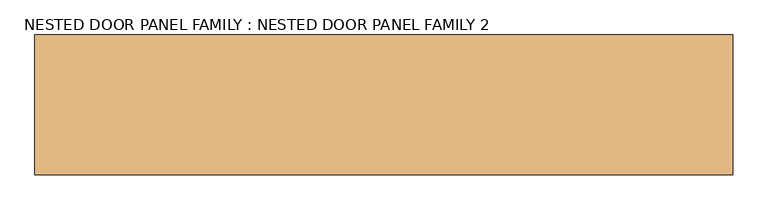
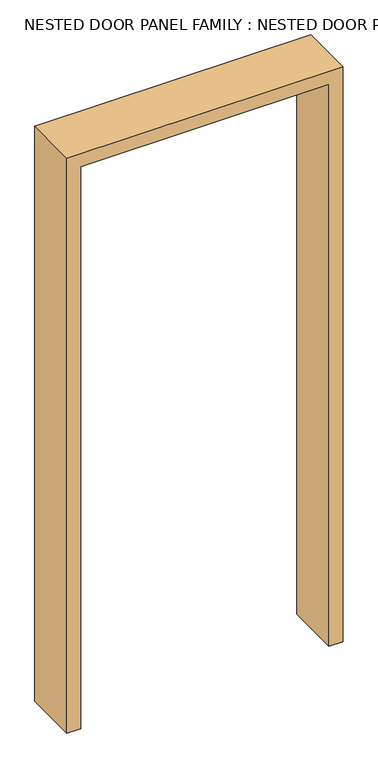
"""IFC4 building model written with IfcOpenShell, lengths in millimetres: door geometry, NESTED DOOR PANEL FAMILY : NESTED DOOR PANEL FAMILY 2."""

from ifc_helpers import new_model, si_unit, frame, origin, place, context, project, spatial, polyline, outline, extrude, source, transform, mapped, element, save


def nested_door_panel_family_nested_door_panel_family_2_17ab14a4(model_context):
    return source(origin(), model_context, "Body", "SweptSolid", [
        extrude(outline(polyline([(0.0, 450.0), (0.0, 500.0), (2200.0, 500.0), (2200.0, -500.0), (0.0, -500.0), (0.0, -450.0), (2150.0, -450.0), (2150.0, 450.0), (0.0, 450.0)])), frame((0.0, -100.0, 0.0), z_axis=(0.0, 1.0, 0.0), x_axis=(0.0, 0.0, 1.0)), (0.0, 0.0, 1.0), 200.0),
    ])


if __name__ == "__main__":
    model = new_model("IFC4")
    model_context = context("Model", 3, world=origin())
    ifc_project = project(units=[si_unit("LENGTHUNIT", "METRE", prefix="MILLI")], contexts=[model_context])
    site = spatial("IfcSite", under=ifc_project)
    building = spatial("IfcBuilding", under=site)
    placement = place(None, origin())
    nested_door_panel_family_nested_door_panel_family_2_shape = nested_door_panel_family_nested_door_panel_family_2_17ab14a4(model_context)
    element("IfcDoor", 1, ObjectType="NESTED DOOR PANEL FAMILY : NESTED DOOR PANEL FAMILY 2", at=placement, inside=building, context=model_context, shape_type="MappedRepresentation", body=[
        mapped(nested_door_panel_family_nested_door_panel_family_2_shape, transform((0.0, 0.0, 0.0), x_axis=(1.0, 0.0, 0.0), y_axis=(0.0, 1.0, 0.0), z_axis=(0.0, 0.0, 1.0))),
    ])
    save(model, "model.ifc")
